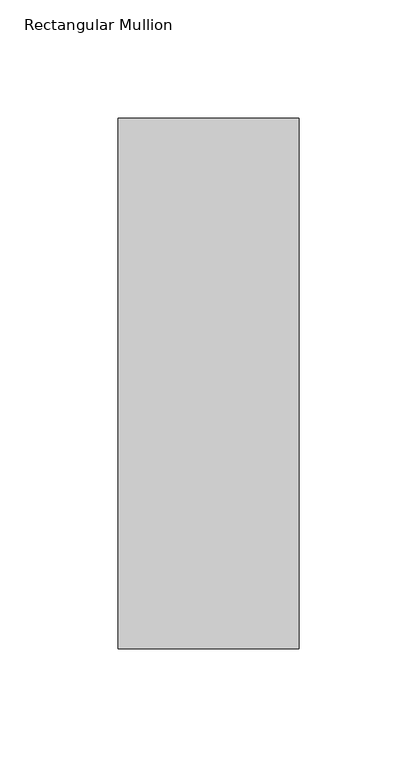
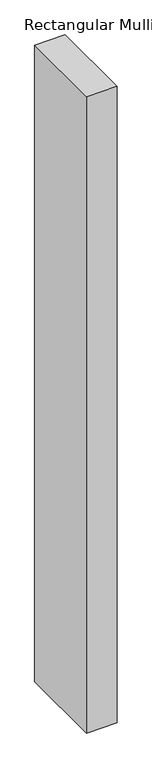
"""IFC4 building model written with IfcOpenShell, lengths in millimetres: member geometry, Rectangular Mullion."""

from ifc_helpers import new_model, si_unit, frame, origin, place, context, project, spatial, polyline, outline, extrude, source, transform, mapped, element, save


def rectangular_mullion_b16124d5(model_context):
    return source(origin(), model_context, "Body", "SweptSolid", [
        extrude(outline(polyline([(38.1, -181.76875), (-38.1, -181.76875), (-38.1, 42.06875), (38.1, 42.06875), (38.1, -181.76875)])), frame((0.0, 0.0, -1676.4), z_axis=(0.0, 0.0, 1.0), x_axis=(1.0, 0.0, 0.0)), (0.0, 0.0, 1.0), 1676.4),
    ])


if __name__ == "__main__":
    model = new_model("IFC4")
    model_context = context("Model", 3, world=origin())
    ifc_project = project(units=[si_unit("LENGTHUNIT", "METRE", prefix="MILLI")], contexts=[model_context])
    site = spatial("IfcSite", under=ifc_project)
    building = spatial("IfcBuilding", under=site)
    placement = place(None, origin())
    rectangular_mullion_shape = rectangular_mullion_b16124d5(model_context)
    element("IfcMember", 1, ObjectType="Rectangular Mullion", at=placement, inside=building, context=model_context, shape_type="MappedRepresentation", body=[
        mapped(rectangular_mullion_shape, transform((0.0, 0.0, 0.0), x_axis=(1.0, 0.0, 0.0), y_axis=(0.0, 1.0, 0.0), z_axis=(0.0, 0.0, 1.0))),
    ])
    save(model, "model.ifc")
